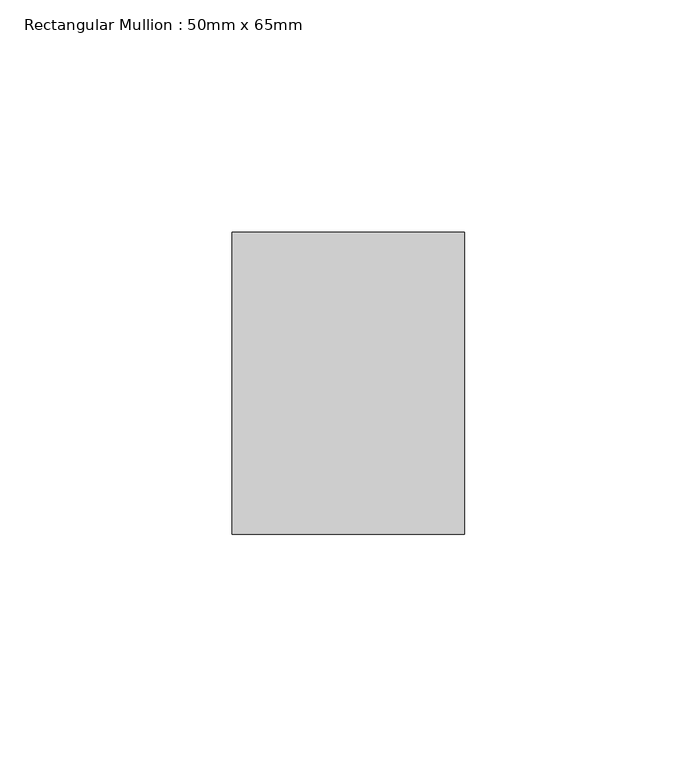
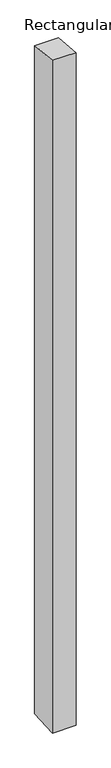
"""IFC4 building model written with IfcOpenShell, lengths in millimetres: member geometry, Rectangular Mullion : 50mm x 65mm."""

from ifc_helpers import new_model, si_unit, origin, place, context, project, spatial, faceted_brep, source, transform, mapped, element, save


def rectangular_mullion_50mm_x_65mm_29a2bba8(model_context):
    return source(origin(), model_context, "Body", "Brep", [
        faceted_brep([(-25.0, 32.5, -3.1469367), (25.0, 32.5, -3.1469371), (25.0, 32.5, -1497.8334354), (-25.0, 32.5, -1497.8334356), (-25.0, -32.5, 3.1469371), (-25.0, -32.5, -1502.1653915), (25.0, -32.5, 3.1469367), (25.0, -32.5, -1502.1653913)], [[[0, 1, 2, 3]], [[4, 0, 3, 5]], [[6, 4, 5, 7]], [[1, 6, 7, 2]], [[1, 0, 4, 6]], [[2, 7, 5, 3]]]),
    ])


if __name__ == "__main__":
    model = new_model("IFC4")
    model_context = context("Model", 3, world=origin())
    ifc_project = project(units=[si_unit("LENGTHUNIT", "METRE", prefix="MILLI")], contexts=[model_context])
    site = spatial("IfcSite", under=ifc_project)
    building = spatial("IfcBuilding", under=site)
    placement = place(None, origin())
    rectangular_mullion_50mm_x_65mm_shape = rectangular_mullion_50mm_x_65mm_29a2bba8(model_context)
    element("IfcMember", 1, ObjectType="Rectangular Mullion : 50mm x 65mm", at=placement, inside=building, context=model_context, shape_type="MappedRepresentation", body=[
        mapped(rectangular_mullion_50mm_x_65mm_shape, transform((0.0, 0.0, 0.0), x_axis=(1.0, 0.0, 0.0), y_axis=(0.0, 1.0, 0.0), z_axis=(0.0, 0.0, 1.0))),
    ])
    save(model, "model.ifc")
